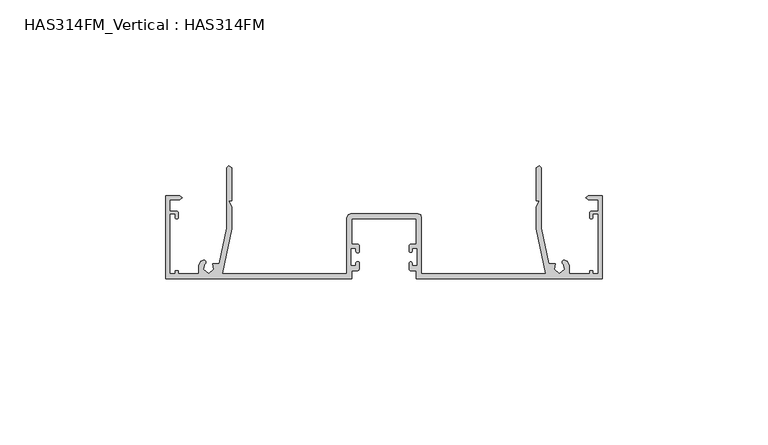
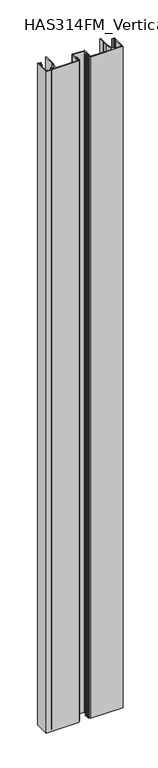
"""IFC4 building model written with IfcOpenShell, lengths in millimetres: beam geometry, HAS314FM_Vertical : HAS314FM."""

from ifc_helpers import new_model, si_unit, point, frame, frame_2d, origin, place, context, project, spatial, polyline, circle_curve, trimmed, segment, composite_curve, outline, extrude, source, transform, mapped, element, save


def has314fm_vertical_has314fm_7d6a7e73(model_context):
    return source(origin(), model_context, "Body", "SweptSolid", [
        extrude(outline(composite_curve([segment(polyline([(9.9742765, -25.0418006), (8.488746, -25.0418006), (8.488746, -25.8418006)]), True, "CONTINUOUS"), segment(trimmed(circle_curve(frame_2d((8.0643087, -25.8418006)), 0.4244373), [point((8.488746, -25.8418006))], [point((7.6398714, -25.8418006))], False, "CARTESIAN"), True, "CONTINUOUS"), segment(polyline([(7.6398714, -25.8418006), (7.6398714, -24.3095233)]), True, "CONTINUOUS"), segment(trimmed(circle_curve(frame_2d((8.180906, -24.3095233)), 0.5410346), [point((7.6398714, -24.3095233))], [point((8.180906, -23.7684887))], False, "CARTESIAN"), True, "CONTINUOUS"), segment(polyline([(8.180906, -23.7684887), (9.7620579, -23.7684887), (9.7620579, -16.1286174), (-9.7620579, -16.1286174), (-9.7620579, -23.7684887), (-8.0276527, -23.7684887)]), True, "CONTINUOUS"), segment(trimmed(circle_curve(frame_2d((-8.0276527, -24.3684887)), 0.6), [point((-8.0276527, -23.7684887))], [point((-7.4276527, -24.3684887))], False, "CARTESIAN"), True, "CONTINUOUS"), segment(polyline([(-7.4276527, -24.3684887), (-7.4276527, -25.8418006)]), True, "CONTINUOUS"), segment(trimmed(circle_curve(frame_2d((-7.9581994, -25.8418006)), 0.5305466), [point((-7.4276527, -25.8418006))], [point((-8.488746, -25.8418006))], False, "CARTESIAN"), True, "CONTINUOUS"), segment(polyline([(-8.488746, -25.8418006), (-8.488746, -25.0418006), (-9.9742765, -25.0418006), (-9.9742765, -30.3472669), (-8.488746, -30.3472669), (-8.488746, -29.5472669)]), True, "CONTINUOUS"), segment(trimmed(circle_curve(frame_2d((-7.9581994, -29.5472669)), 0.5305466), [point((-8.488746, -29.5472669))], [point((-7.4276527, -29.5472669))], False, "CARTESIAN"), True, "CONTINUOUS"), segment(polyline([(-7.4276527, -29.5472669), (-7.4276527, -31.0382748)]), True, "CONTINUOUS"), segment(trimmed(circle_curve(frame_2d((-8.2221754, -31.0382748)), 0.7945227), [point((-7.4276527, -31.0382748))], [point((-8.2221754, -31.8327974))], False, "CARTESIAN"), True, "CONTINUOUS"), segment(polyline([(-8.2221754, -31.8327974), (-9.7620579, -31.8327974), (-9.7620579, -34.1672026), (-66.0, -34.1672026), (-66.0, -9.1254019), (-61.755627, -9.1254019), (-60.9067524, -9.7620579), (-61.755627, -10.3987138), (-64.7266881, -10.3987138), (-64.7266881, -13.7942122), (-62.7447485, -13.7942122)]), True, "CONTINUOUS"), segment(trimmed(circle_curve(frame_2d((-62.7447485, -14.3588964)), 0.5646842), [point((-62.7447485, -13.7942122))], [point((-62.1800643, -14.3588964))], False, "CARTESIAN"), True, "CONTINUOUS"), segment(polyline([(-62.1800643, -14.3588964), (-62.1800643, -15.7041801)]), True, "CONTINUOUS"), segment(trimmed(circle_curve(frame_2d((-62.6045016, -15.7041801)), 0.4244373), [point((-62.1800643, -15.7041801))], [point((-63.0289389, -15.7041801))], False, "CARTESIAN"), True, "CONTINUOUS"), segment(polyline([(-63.0289389, -15.7041801), (-63.0289389, -14.6430868), (-64.7266881, -14.6430868), (-64.7266881, -32.681672), (-63.0289389, -32.681672), (-63.0289389, -31.8327974), (-62.1800643, -31.8327974), (-62.1800643, -32.681672), (-56.0257235, -32.681672), (-56.0257235, -30.1350482), (-55.3890675, -28.8617363), (-54.5401929, -28.6495177)]), True, "CONTINUOUS"), segment(trimmed(circle_curve(frame_2d((-54.4003215, -29.2090032)), 0.5767045), [point((-54.5401929, -28.6495177))], [point((-54.1157556, -29.7106109))], False, "CARTESIAN"), True, "CONTINUOUS"), segment(polyline([(-54.1157556, -29.7106109), (-54.5401929, -31.4083601), (-52.9485531, -32.7347267), (-51.3569132, -31.4083601), (-51.7813505, -29.7106109), (-49.7918006, -29.7106109), (-47.5369775, -18.8874598), (-47.5369775, -0.6366559), (-46.9003215, 0.0), (-46.0514469, -0.6366559), (-46.0514469, -10.6109325), (-46.9003215, -10.6109325), (-46.0514469, -12.5209003), (-46.0514469, -19.0996785), (-48.8992843, -32.681672), (-11.2475884, -32.681672), (-11.2475884, -15.7041801), (-10.8231511, -14.8553055), (-9.9742765, -14.6430868), (10.1864952, -14.6430868), (11.0353698, -14.8553055), (11.2475884, -15.7041801), (11.2475884, -32.681672), (48.8992843, -32.681672), (46.0514469, -19.0996785), (46.0514469, -12.5209003), (46.9003215, -10.6109325), (46.0514469, -10.6109325), (46.0514469, -0.6366559), (46.9003215, 0.0), (47.5369775, -0.6366559), (47.5369775, -18.8874598), (49.7918006, -29.7106109), (51.7813505, -29.7106109), (51.3569132, -31.4083601), (52.9485531, -32.7347267), (54.5401929, -31.4083601), (54.1157556, -29.7106109)]), True, "CONTINUOUS"), segment(trimmed(circle_curve(frame_2d((54.4003215, -29.2090032)), 0.5767045), [point((54.1157556, -29.7106109))], [point((54.5401929, -28.6495177))], False, "CARTESIAN"), True, "CONTINUOUS"), segment(polyline([(54.5401929, -28.6495177), (55.3890675, -28.8617363), (56.0257235, -30.1350482), (56.0257235, -32.681672), (62.1800643, -32.681672), (62.1800643, -31.8327974), (63.0289389, -31.8327974), (63.0289389, -32.681672), (64.7266881, -32.681672), (64.7266881, -14.6430868), (63.0289389, -14.6430868), (63.0289389, -15.7041801)]), True, "CONTINUOUS"), segment(trimmed(circle_curve(frame_2d((62.6045016, -15.7041801)), 0.4244373), [point((63.0289389, -15.7041801))], [point((62.1800643, -15.7041801))], False, "CARTESIAN"), True, "CONTINUOUS"), segment(polyline([(62.1800643, -15.7041801), (62.1800643, -14.3588964)]), True, "CONTINUOUS"), segment(trimmed(circle_curve(frame_2d((62.7447485, -14.3588964)), 0.5646842), [point((62.1800643, -14.3588964))], [point((62.7447485, -13.7942122))], False, "CARTESIAN"), True, "CONTINUOUS"), segment(polyline([(62.7447485, -13.7942122), (64.7266881, -13.7942122), (64.7266881, -10.3987138), (61.755627, -10.3987138), (60.9067524, -9.7620579), (61.755627, -9.1254019), (66.0, -9.1254019), (66.0, -34.1672026), (9.7620579, -34.1672026), (9.7620579, -31.8327974), (8.2745239, -31.8327974)]), True, "CONTINUOUS"), segment(trimmed(circle_curve(frame_2d((8.2745239, -31.1981449)), 0.6346525), [point((8.2745239, -31.8327974))], [point((7.6398714, -31.1981449))], False, "CARTESIAN"), True, "CONTINUOUS"), segment(polyline([(7.6398714, -31.1981449), (7.6398714, -29.5472669)]), True, "CONTINUOUS"), segment(trimmed(circle_curve(frame_2d((8.0643087, -29.5472669)), 0.4244373), [point((7.6398714, -29.5472669))], [point((8.488746, -29.5472669))], False, "CARTESIAN"), True, "CONTINUOUS"), segment(polyline([(8.488746, -29.5472669), (8.488746, -30.3472669), (9.9742765, -30.3472669), (9.9742765, -25.0418006)]), True, "CONTINUOUS")], self_intersect=False)), frame((0.0, 0.0, -600.0), z_axis=(0.0, 0.0, 1.0), x_axis=(1.0, 0.0, 0.0)), (0.0, 0.0, 1.0), 1200.0),
    ])


if __name__ == "__main__":
    model = new_model("IFC4")
    model_context = context("Model", 3, world=origin())
    ifc_project = project(units=[si_unit("LENGTHUNIT", "METRE", prefix="MILLI")], contexts=[model_context])
    site = spatial("IfcSite", under=ifc_project)
    building = spatial("IfcBuilding", under=site)
    placement = place(None, origin())
    has314fm_vertical_has314fm_shape = has314fm_vertical_has314fm_7d6a7e73(model_context)
    element("IfcBeam", 1, ObjectType="HAS314FM_Vertical : HAS314FM", at=placement, inside=building, context=model_context, shape_type="MappedRepresentation", body=[
        mapped(has314fm_vertical_has314fm_shape, transform((0.0, 0.0, 0.0), x_axis=(1.0, 0.0, 0.0), y_axis=(0.0, 1.0, 0.0), z_axis=(0.0, 0.0, 1.0))),
    ])
    save(model, "model.ifc")
